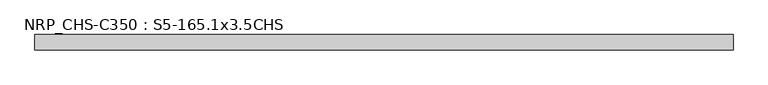
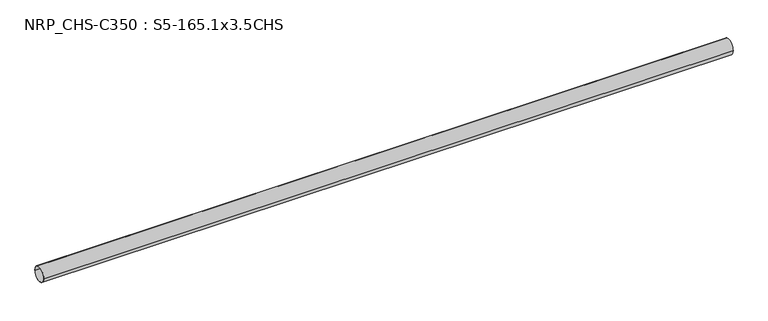
"""IFC4 building model written with IfcOpenShell, lengths in millimetres: beam geometry, NRP_CHS-C350 : S5-165.1x3.5CHS."""

from ifc_helpers import new_model, si_unit, point, frame, origin, origin_2d, place, context, project, spatial, circle_curve, trimmed, segment, composite_curve, outline, extrude, source, transform, mapped, element, save


def nrp_chs_c350_s5_165_1x3_5chs_c9ea2dfe(model_context):
    return source(origin(), model_context, "Body", "SweptSolid", [
        extrude(outline(composite_curve([segment(trimmed(circle_curve(origin_2d(), 82.55), [point((82.55, 0.0))], [point((-82.55, 0.0))], False, "CARTESIAN"), True, "CONTINUOUS"), segment(trimmed(circle_curve(origin_2d(), 82.55), [point((-82.55, 0.0))], [point((82.55, 0.0))], False, "CARTESIAN"), True, "CONTINUOUS")], self_intersect=False), holes=[composite_curve([segment(trimmed(circle_curve(origin_2d(), 79.05), [point((-79.05, 0.0))], [point((79.05, 0.0))], True, "CARTESIAN"), True, "CONTINUOUS"), segment(trimmed(circle_curve(origin_2d(), 79.05), [point((79.05, 0.0))], [point((-79.05, 0.0))], True, "CARTESIAN"), True, "CONTINUOUS")], self_intersect=False)]), frame((-3756.15, 0.0, 0.0), z_axis=(1.0, 0.0, 0.0), x_axis=(0.0, 1.0, 0.0)), (0.0, 0.0, 1.0), 7532.4),
    ])


if __name__ == "__main__":
    model = new_model("IFC4")
    model_context = context("Model", 3, world=origin())
    ifc_project = project(units=[si_unit("LENGTHUNIT", "METRE", prefix="MILLI")], contexts=[model_context])
    site = spatial("IfcSite", under=ifc_project)
    building = spatial("IfcBuilding", under=site)
    placement = place(None, origin())
    nrp_chs_c350_s5_165_1x3_5chs_shape = nrp_chs_c350_s5_165_1x3_5chs_c9ea2dfe(model_context)
    element("IfcBeam", 1, ObjectType="NRP_CHS-C350 : S5-165.1x3.5CHS", at=placement, inside=building, context=model_context, shape_type="MappedRepresentation", body=[
        mapped(nrp_chs_c350_s5_165_1x3_5chs_shape, transform((0.0, 0.0, 0.0), x_axis=(1.0, 0.0, 0.0), y_axis=(0.0, 1.0, 0.0), z_axis=(0.0, 0.0, 1.0))),
    ])
    save(model, "model.ifc")
